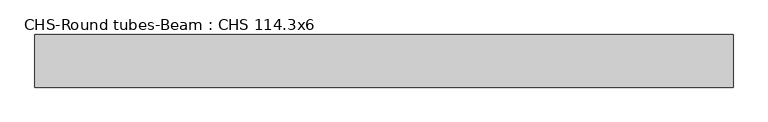
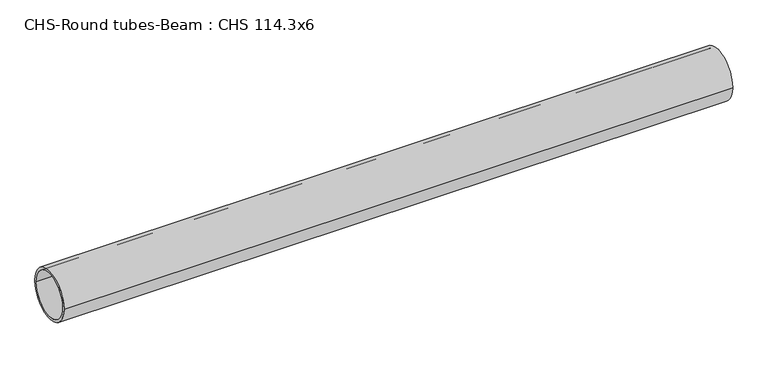
"""IFC4 building model written with IfcOpenShell, lengths in millimetres: beam geometry, CHS-Round tubes-Beam : CHS 114.3x6."""

from ifc_helpers import new_model, si_unit, point, frame, origin, origin_2d, place, context, project, spatial, circle_curve, trimmed, segment, composite_curve, outline, extrude, source, transform, mapped, element, save


def chs_round_tubes_beam_chs_114_3x6_8cdf886c(model_context):
    return source(origin(), model_context, "Body", "SweptSolid", [
        extrude(outline(composite_curve([segment(trimmed(circle_curve(origin_2d(), 57.15), [point((57.15, 0.0))], [point((-57.15, 0.0))], False, "CARTESIAN"), True, "CONTINUOUS"), segment(trimmed(circle_curve(origin_2d(), 57.15), [point((-57.15, 0.0))], [point((57.15, 0.0))], False, "CARTESIAN"), True, "CONTINUOUS")], self_intersect=False), holes=[composite_curve([segment(trimmed(circle_curve(origin_2d(), 51.15), [point((51.15, 0.0))], [point((-51.15, 0.0))], True, "CARTESIAN"), True, "CONTINUOUS"), segment(trimmed(circle_curve(origin_2d(), 51.15), [point((-51.15, 0.0))], [point((51.15, 0.0))], True, "CARTESIAN"), True, "CONTINUOUS")], self_intersect=False)]), frame((-751.6154615, 0.0, 0.0), z_axis=(1.0, 0.0, 0.0), x_axis=(0.0, 1.0, 0.0)), (0.0, 0.0, 1.0), 1517.0621696),
    ])


if __name__ == "__main__":
    model = new_model("IFC4")
    model_context = context("Model", 3, world=origin())
    ifc_project = project(units=[si_unit("LENGTHUNIT", "METRE", prefix="MILLI")], contexts=[model_context])
    site = spatial("IfcSite", under=ifc_project)
    building = spatial("IfcBuilding", under=site)
    placement = place(None, origin())
    chs_round_tubes_beam_chs_114_3x6_shape = chs_round_tubes_beam_chs_114_3x6_8cdf886c(model_context)
    element("IfcBeam", 1, ObjectType="CHS-Round tubes-Beam : CHS 114.3x6", at=placement, inside=building, context=model_context, shape_type="MappedRepresentation", body=[
        mapped(chs_round_tubes_beam_chs_114_3x6_shape, transform((0.0, 0.0, 0.0), x_axis=(1.0, 0.0, 0.0), y_axis=(0.0, 1.0, 0.0), z_axis=(0.0, 0.0, 1.0))),
    ])
    save(model, "model.ifc")
